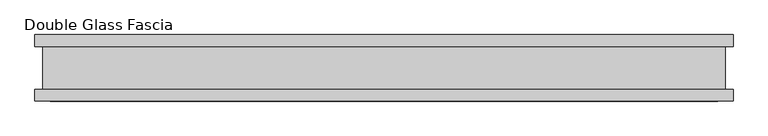
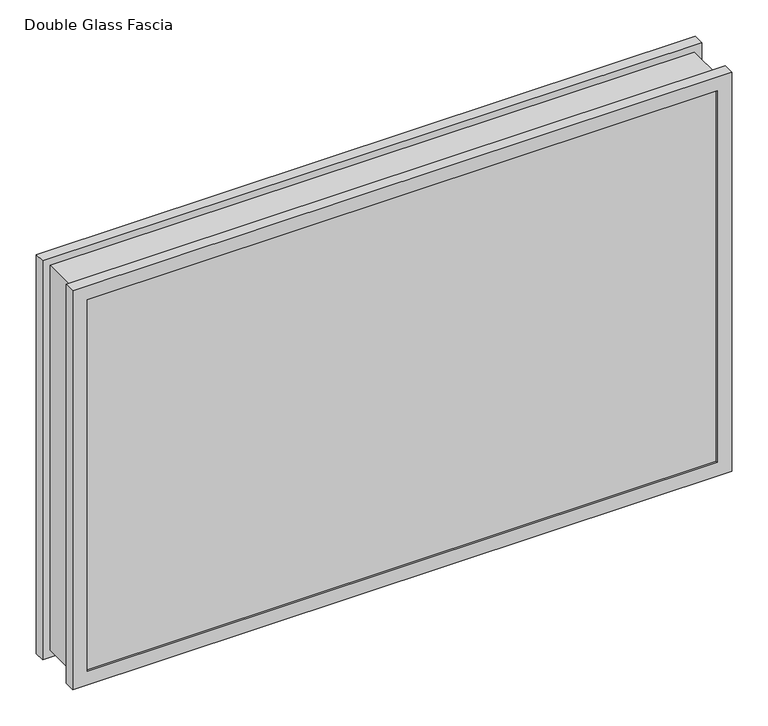
"""IFC4 building model written with IfcOpenShell, lengths in millimetres: proxy geometry, Double Glass Fascia."""

from ifc_helpers import new_model, si_unit, frame, origin, place, context, project, spatial, polyline, outline, extrude, faceted_brep, source, transform, mapped, element, save


def double_glass_fascia_c3d47c7a(model_context):
    return source(origin(), model_context, "Body", "SolidModel", [
        faceted_brep([(513.3140848, 32.4352299, 663.575885), (513.3140848, -32.4352299, 663.575885), (513.3140848, -32.4352299, 15.0359151), (513.3140848, 32.4352299, 15.0359151), (-513.3140848, -32.4352299, 15.0359151), (-513.3140848, 32.4352299, 15.0359151), (-513.3140848, -32.4352299, 663.575885), (-513.3140848, 32.4352299, 663.575885), (502.1371999, -38.8962152, 652.3990001), (502.1371999, 38.8962152, 652.3990001), (502.1371999, 38.8962152, 26.2128), (502.1371999, -38.8962152, 26.2128), (518.8718392, -47.1322551, 669.1336393), (518.8718392, -38.8962152, 669.1336393), (518.8718392, -38.8962152, 9.4781608), (518.8718392, -47.1322551, 9.4781608), (501.9593999, -50.0558594, 652.2212001), (501.9593999, -47.1322551, 652.2212001), (501.9593999, -47.1322551, 26.3906), (501.9593999, -50.0558594, 26.3906), (525.1749999, -32.4352299, 675.4368001), (525.1749999, -50.0558594, 675.4368001), (525.1749999, -50.0558594, 3.175), (525.1749999, -32.4352299, 3.175), (-502.1371999, 38.8962152, 26.2128), (-502.1371999, -38.8962152, 26.2128), (-518.8718392, -38.8962152, 9.4781608), (-518.8718392, -47.1322551, 9.4781608), (-501.9593999, -47.1322551, 26.3906), (-501.9593999, -50.0558594, 26.3906), (-525.1749999, -50.0558594, 3.175), (-525.1749999, -32.4352299, 3.175), (-502.1371999, 38.8962152, 652.3990001), (-502.1371999, -38.8962152, 652.3990001), (-518.8718392, -38.8962152, 669.1336393), (-518.8718392, -47.1322551, 669.1336393), (-501.9593999, -47.1322551, 652.2212001), (-501.9593999, -50.0558594, 652.2212001), (-525.1749999, -50.0558594, 675.4368001), (-525.1749999, -32.4352299, 675.4368001), (525.1749999, 50.0558594, 675.4368001), (525.1749999, 32.4352299, 675.4368001), (525.1749999, 32.4352299, 3.175), (525.1749999, 50.0558594, 3.175), (502.1371999, 47.1322551, 652.3990001), (502.1371999, 50.0558594, 652.3990001), (502.1371999, 50.0558594, 26.2128), (502.1371999, 47.1322551, 26.2128), (518.8718392, 38.8962152, 669.1336393), (518.8718392, 47.1322551, 669.1336393), (518.8718392, 47.1322551, 9.4781608), (518.8718392, 38.8962152, 9.4781608), (-525.1749999, 32.4352299, 3.175), (-525.1749999, 50.0558594, 3.175), (-502.1371999, 50.0558594, 26.2128), (-502.1371999, 47.1322551, 26.2128), (-518.8718392, 47.1322551, 9.4781608), (-518.8718392, 38.8962152, 9.4781608), (-525.1749999, 32.4352299, 675.4368001), (-525.1749999, 50.0558594, 675.4368001), (-502.1371999, 50.0558594, 652.3990001), (-502.1371999, 47.1322551, 652.3990001), (-518.8718392, 47.1322551, 669.1336393), (-518.8718392, 38.8962152, 669.1336393)], [[[0, 1, 2, 3]], [[3, 2, 4, 5]], [[5, 4, 6, 7]], [[7, 6, 1, 0]], [[8, 9, 10, 11]], [[12, 13, 14, 15]], [[16, 17, 18, 19]], [[20, 21, 22, 23]], [[11, 10, 24, 25]], [[15, 14, 26, 27]], [[19, 18, 28, 29]], [[23, 22, 30, 31]], [[25, 24, 32, 33]], [[27, 26, 34, 35]], [[29, 28, 36, 37]], [[31, 30, 38, 39]], [[33, 32, 9, 8]], [[13, 34, 26, 14], [11, 25, 33, 8]], [[35, 34, 13, 12]], [[15, 27, 35, 12], [17, 36, 28, 18]], [[37, 36, 17, 16]], [[21, 38, 30, 22], [19, 29, 37, 16]], [[39, 38, 21, 20]], [[23, 31, 39, 20], [1, 6, 4, 2]], [[40, 41, 42, 43]], [[44, 45, 46, 47]], [[48, 49, 50, 51]], [[43, 42, 52, 53]], [[47, 46, 54, 55]], [[51, 50, 56, 57]], [[53, 52, 58, 59]], [[55, 54, 60, 61]], [[57, 56, 62, 63]], [[41, 58, 52, 42], [3, 5, 7, 0]], [[59, 58, 41, 40]], [[43, 53, 59, 40], [45, 60, 54, 46]], [[61, 60, 45, 44]], [[49, 62, 56, 50], [47, 55, 61, 44]], [[63, 62, 49, 48]], [[51, 57, 63, 48], [9, 32, 24, 10]]]),
        extrude(outline(polyline([(514.35, -40.9277344), (514.35, -46.8808594), (-514.35, -46.8808594), (-514.35, -40.9277344), (514.35, -40.9277344)])), frame((0.0, 0.0, 5.3275263), z_axis=(0.0, 0.0, 1.0), x_axis=(1.0, 0.0, 0.0)), (0.0, 0.0, 1.0), 667.4627281),
        extrude(outline(polyline([(514.35, 41.1791301), (-514.35, 41.1791301), (-514.35, 47.1322551), (514.35, 47.1322551), (514.35, 41.1791301)])), frame((0.0, 0.0, 5.3275263), z_axis=(0.0, 0.0, 1.0), x_axis=(1.0, 0.0, 0.0)), (0.0, 0.0, 1.0), 667.4627281),
    ])


if __name__ == "__main__":
    model = new_model("IFC4")
    model_context = context("Model", 3, world=origin())
    ifc_project = project(units=[si_unit("LENGTHUNIT", "METRE", prefix="MILLI")], contexts=[model_context])
    site = spatial("IfcSite", under=ifc_project)
    building = spatial("IfcBuilding", under=site)
    placement = place(None, origin())
    double_glass_fascia_shape = double_glass_fascia_c3d47c7a(model_context)
    element("IfcBuildingElementProxy", 1, Name="Double Glass Fascia", ObjectType="Double Glass Fascia", at=placement, inside=building, context=model_context, shape_type="MappedRepresentation", body=[
        mapped(double_glass_fascia_shape, transform((0.0, 0.0, 0.0), x_axis=(1.0, 0.0, 0.0), y_axis=(0.0, 1.0, 0.0), z_axis=(0.0, 0.0, 1.0))),
    ])
    save(model, "model.ifc")
